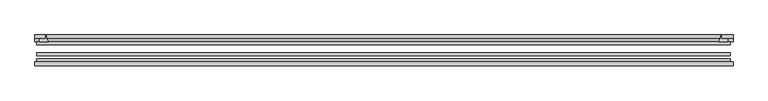
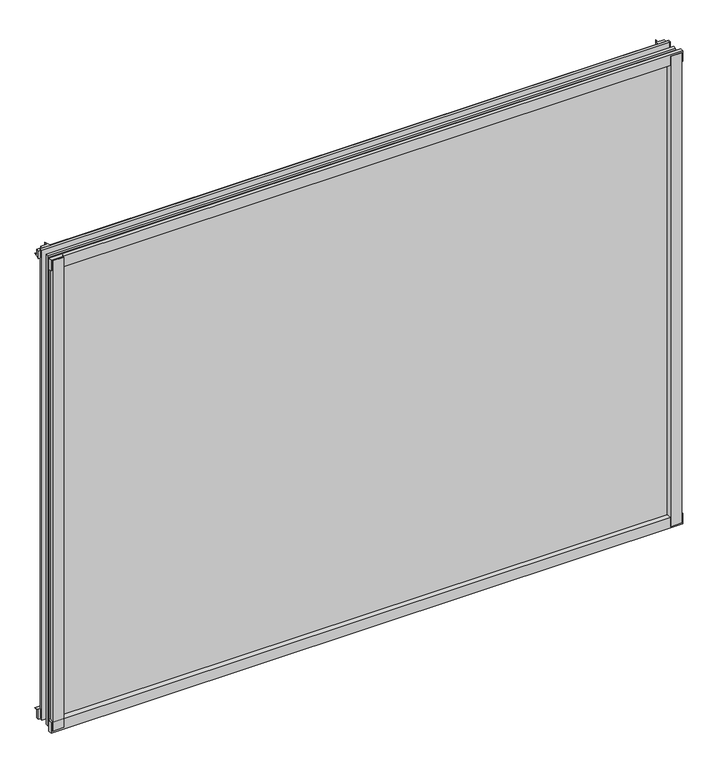
"""IFC4 building model written with IfcOpenShell, lengths in millimetres: plate geometry."""

import ifcopenshell
import ifcopenshell.guid

model = None  # the IFC model being written
_history = None  # IfcOwnerHistory: only IFC2X3 demands one
_inside = {}  # id of a spatial element -> (the spatial element, [elements in it])
_under = {}  # id of a project, library or spatial element -> (it, [spatial elements below it])
_declared = {}  # id of a project -> (the project, [libraries it declares])
_typed = {}  # id of a type object -> (the type object, [elements of that type])
_made_of = {}  # id of a material, layer set ... -> (it, [elements and type objects made of it])


def new_model(schema):
    """Start an empty IFC model of exactly this schema.

    Asked for "IFC4X3", IfcOpenShell would pick the latest addendum, in which some entities
    have other attributes; the version numbers below select the first issue.
    IFC2X3 requires an IfcOwnerHistory on every rooted entity: one is made here for all.
    """
    global model, _history
    if schema == "IFC4X3":
        model = ifcopenshell.file(schema_version=(4, 3, 0, 0))
    else:
        model = ifcopenshell.file(schema=schema)
    _inside.clear()
    _under.clear()
    _declared.clear()
    _typed.clear()
    _made_of.clear()
    _history = None
    if model.schema == "IFC2X3":
        org = make("IfcOrganization", Name="unknown")
        user = make(
            "IfcPersonAndOrganization",
            ThePerson=make("IfcPerson", FamilyName="unknown"),
            TheOrganization=org,
        )
        app = make(
            "IfcApplication",
            ApplicationDeveloper=org,
            Version="unknown",
            ApplicationFullName="unknown",
            ApplicationIdentifier="unknown",
        )
        _history = make(
            "IfcOwnerHistory",
            OwningUser=user,
            OwningApplication=app,
            ChangeAction="ADDED",
            CreationDate=0,
        )
    return model


def make(cls, **values):
    """One entity of the class cls with the attributes given. An attribute that is None is left unset."""
    return model.create_entity(
        cls, **{name: value for name, value in values.items() if value is not None}
    )


def rooted(cls, **values):
    """An entity with a GlobalId (a new one), such as an element, a storey or a relation."""
    return make(cls, GlobalId=ifcopenshell.guid.new(), OwnerHistory=_history, **values)


def si_unit(unit_type, name, prefix=None):
    """IfcSIUnit, for example si_unit("LENGTHUNIT", "METRE", prefix="MILLI")."""
    return make("IfcSIUnit", UnitType=unit_type, Prefix=prefix, Name=name)


def assignment(units):
    """IfcUnitAssignment: the units of a project."""
    return None if units is None else make("IfcUnitAssignment", Units=units)


def point(xyz):
    """IfcCartesianPoint."""
    return None if xyz is None else make("IfcCartesianPoint", Coordinates=xyz)


def direction(xyz):
    """IfcDirection."""
    return None if xyz is None else make("IfcDirection", DirectionRatios=xyz)


def frame(location, z_axis=None, x_axis=None):
    """IfcAxis2Placement3D, a coordinate frame: its origin and axes. An axis left out is left unset."""
    return make(
        "IfcAxis2Placement3D",
        Location=point(location),
        Axis=direction(z_axis),
        RefDirection=direction(x_axis),
    )


def frame_2d(location, x_axis=None):
    """IfcAxis2Placement2D, a coordinate frame in the plane: its origin and x axis."""
    return make(
        "IfcAxis2Placement2D", Location=point(location), RefDirection=direction(x_axis)
    )


def origin():
    """The frame at (0, 0, 0) with its axes left unset."""
    return frame((0.0, 0.0, 0.0))


def place(relative_to, where):
    """IfcLocalPlacement: puts the frame where relative to a parent placement (None: the world)."""
    return make(
        "IfcLocalPlacement", PlacementRelTo=relative_to, RelativePlacement=where
    )


def context(
    kind, dimensions, precision=None, world=None, true_north=None, identifier=None
):
    """IfcGeometricRepresentationContext, for example the 3D "Model" context."""
    return make(
        "IfcGeometricRepresentationContext",
        ContextIdentifier=identifier,
        ContextType=kind,
        CoordinateSpaceDimension=dimensions,
        Precision=precision,
        WorldCoordinateSystem=world,
        TrueNorth=true_north,
    )


def project(units=None, contexts=None):
    """IfcProject with its units and contexts."""
    return rooted(
        "IfcProject",
        Name="project",
        RepresentationContexts=contexts,
        UnitsInContext=assignment(units),
    )


def spatial(cls, under=None, at=None, **own):
    """A site, building, storey or space (cls), placed at a placement, below another one or the project."""
    s = rooted(cls, ObjectPlacement=at, **own)
    if under is not None:
        _under.setdefault(under.id(), (under, []))[1].append(s)
    return s


def polyline(points):
    """IfcPolyline through the points."""
    return make("IfcPolyline", Points=[point(p) for p in points])


def circle_curve(where, radius):
    """IfcCircle in the frame where."""
    return make("IfcCircle", Position=where, Radius=radius)


def trimmed(basis, trim1, trim2, sense, master):
    """IfcTrimmedCurve: the piece of a basis curve between two trims."""
    return make(
        "IfcTrimmedCurve",
        BasisCurve=basis,
        Trim1=trim1,
        Trim2=trim2,
        SenseAgreement=sense,
        MasterRepresentation=master,
    )


def segment(curve, same_sense, transition):
    """IfcCompositeCurveSegment."""
    return make(
        "IfcCompositeCurveSegment",
        Transition=transition,
        SameSense=same_sense,
        ParentCurve=curve,
    )


def composite_curve(segments, self_intersect=None):
    """IfcCompositeCurve: segments joined end to end."""
    return make("IfcCompositeCurve", Segments=segments, SelfIntersect=self_intersect)


def outline(outer, holes=None, kind="AREA"):
    """IfcArbitraryClosedProfileDef: a profile drawn as a closed curve; with holes, ...WithVoids."""
    if holes is None:
        return make("IfcArbitraryClosedProfileDef", ProfileType=kind, OuterCurve=outer)
    return make(
        "IfcArbitraryProfileDefWithVoids",
        ProfileType=kind,
        OuterCurve=outer,
        InnerCurves=holes,
    )


def extrude(swept, where, along, depth):
    """IfcExtrudedAreaSolid: the profile swept, set in the frame where, extruded along a direction by depth."""
    return make(
        "IfcExtrudedAreaSolid",
        SweptArea=swept,
        Position=where,
        ExtrudedDirection=direction(along),
        Depth=depth,
    )


def shape(context_of_items, identifier, shape_type, items):
    """IfcShapeRepresentation: the items that make up one representation, for example the "Body"."""
    return make(
        "IfcShapeRepresentation",
        ContextOfItems=context_of_items,
        RepresentationIdentifier=identifier,
        RepresentationType=shape_type,
        Items=items,
    )


def source(mapping_origin, context_of_items, identifier, shape_type, items):
    """IfcRepresentationMap: a shape defined once, which mapped items show again and again."""
    return make(
        "IfcRepresentationMap",
        MappingOrigin=mapping_origin,
        MappedRepresentation=shape(context_of_items, identifier, shape_type, items),
    )


def transform(
    local_origin,
    x_axis=None,
    y_axis=None,
    z_axis=None,
    scale=None,
    scale2=None,
    scale3=None,
    uniform=True,
):
    """IfcCartesianTransformationOperator3D, or its non-uniform kind. x_axis, y_axis, z_axis: its Axis1, 2, 3."""
    if uniform:
        return make(
            "IfcCartesianTransformationOperator3D",
            Axis1=direction(x_axis),
            Axis2=direction(y_axis),
            LocalOrigin=point(local_origin),
            Scale=scale,
            Axis3=direction(z_axis),
        )
    return make(
        "IfcCartesianTransformationOperator3DnonUniform",
        Axis1=direction(x_axis),
        Axis2=direction(y_axis),
        LocalOrigin=point(local_origin),
        Scale=scale,
        Axis3=direction(z_axis),
        Scale2=scale2,
        Scale3=scale3,
    )


def mapped(mapping_source, mapping_target):
    """IfcMappedItem: shows the shape of a source again, moved by a transform."""
    return make(
        "IfcMappedItem", MappingSource=mapping_source, MappingTarget=mapping_target
    )


def made_of(thing, what):
    """Note that an element or type object is made of a material, layer set ...; save() writes the relation."""
    if what is not None:
        _made_of.setdefault(what.id(), (what, []))[1].append(thing)
    return thing


def element(
    cls,
    number,
    at=None,
    inside=None,
    cuts=None,
    type_object=None,
    material=None,
    context=None,
    identifier="Body",
    shape_type=None,
    held_by="IfcProductDefinitionShape",
    body=None,
    shapes=None,
    **own,
):
    """One element of the class cls, such as IfcWall. Its Tag is "e" and its number.

    at: its placement. inside: the storey or other place that contains it. cuts: it is an
    opening in that element (IfcRelVoidsElement). A single representation is given by context,
    identifier, shape_type and body (its items); several are given by shapes. held_by: the class
    of the entity that holds the representations. save() writes the other relations.
    """
    e = rooted(cls, Tag="e%d" % number, ObjectPlacement=at, **own)
    if body is not None:
        shapes = [shape(context, identifier, shape_type, body)]
    if shapes is not None:
        e.Representation = make(held_by, Representations=shapes)
    if inside is not None:
        _inside.setdefault(inside.id(), (inside, []))[1].append(e)
    if cuts is not None:
        rooted(
            "IfcRelVoidsElement", RelatingBuildingElement=cuts, RelatedOpeningElement=e
        )
    if type_object is not None:
        _typed.setdefault(type_object.id(), (type_object, []))[1].append(e)
    return made_of(e, material)


def aggregate(whole, parts):
    """IfcRelAggregates: a whole, such as a stair, and the parts it consists of."""
    return rooted("IfcRelAggregates", RelatingObject=whole, RelatedObjects=parts)


def save(model, path):
    """Write the relations noted so far, then the file.

    IfcRelAggregates (storeys below a building ...), IfcRelContainedInSpatialStructure (elements
    in a storey), IfcRelDefinesByType, IfcRelAssociatesMaterial and IfcRelDeclares: one each for
    every whole, place, type object, material and project.
    """
    for whole, parts in _under.values():
        aggregate(whole, parts)
    for where, things in _inside.values():
        rooted(
            "IfcRelContainedInSpatialStructure",
            RelatedElements=things,
            RelatingStructure=where,
        )
    for kind, things in _typed.values():
        rooted("IfcRelDefinesByType", RelatedObjects=things, RelatingType=kind)
    for what, things in _made_of.values():
        rooted("IfcRelAssociatesMaterial", RelatedObjects=things, RelatingMaterial=what)
    for by, libraries in _declared.values():
        rooted("IfcRelDeclares", RelatingContext=by, RelatedDefinitions=libraries)
    model.write(path)


def plate_e8173fc2(model_context):
    return source(origin(), model_context, "Body", "SweptSolid", [
        extrude(outline(composite_curve([segment(polyline([(-549.0765856, -78.7828625), (-527.6553843, -78.7828625)]), True, "CONTINUOUS"), segment(trimmed(circle_curve(frame_2d((-520.0182187, -84.652782)), 9.6323545), [point((-527.6553843, -78.7828625))], [point((-529.6386021, -85.1328625))], True, "CARTESIAN"), True, "CONTINUOUS"), segment(polyline([(-529.6386021, -85.1328625), (-549.0765856, -85.1328625), (-549.0765856, -78.7828625)]), True, "CONTINUOUS")], self_intersect=False)), frame((0.0, 0.0, -14.2875), z_axis=(0.0, 0.0, 1.0), x_axis=(1.0, 0.0, 0.0)), (0.0, 0.0, 1.0), 869.95),
        extrude(outline(composite_curve([segment(polyline([(551.6584921, -78.7828625), (551.6584921, -85.1328625), (532.1786021, -85.1328625)]), True, "CONTINUOUS"), segment(trimmed(circle_curve(frame_2d((522.5582187, -84.652782)), 9.6323545), [point((532.1786021, -85.1328625))], [point((530.1953843, -78.7828625))], True, "CARTESIAN"), True, "CONTINUOUS"), segment(polyline([(530.1953843, -78.7828625), (551.6584921, -78.7828625)]), True, "CONTINUOUS")], self_intersect=False)), frame((0.0, 0.0, -14.2875), z_axis=(0.0, 0.0, 1.0), x_axis=(1.0, 0.0, 0.0)), (0.0, 0.0, 1.0), 869.95),
        extrude(outline(composite_curve([segment(polyline([(-47.1852625, -14.2875), (-47.1852625, 3.9588469)]), True, "CONTINUOUS"), segment(trimmed(circle_curve(frame_2d((-30.6824422, 32.267054)), 32.7673262), [point((-47.1852625, 3.9588469))], [point((-36.3503395, -0.00635))], True, "CARTESIAN"), True, "CONTINUOUS"), segment(polyline([(-36.3503395, -0.00635), (-42.2830625, -0.00635), (-42.2830625, -14.2875), (-47.1852625, -14.2875)]), True, "CONTINUOUS")], self_intersect=False)), frame((-552.2515856, 0.0, 0.0), z_axis=(1.0, 0.0, 0.0), x_axis=(0.0, 1.0, 0.0)), (0.0, 0.0, 1.0), 1105.8922337),
        extrude(outline(composite_curve([segment(polyline([(-78.7828625, -16.8821065), (-85.1328625, -16.8821065), (-85.1328625, 2.5977835)]), True, "CONTINUOUS"), segment(trimmed(circle_curve(frame_2d((-84.652782, 12.2181669)), 9.6323545), [point((-85.1328625, 2.5977835))], [point((-78.7828625, 4.5810013))], True, "CARTESIAN"), True, "CONTINUOUS"), segment(polyline([(-78.7828625, 4.5810013), (-78.7828625, -16.8821065)]), True, "CONTINUOUS")], self_intersect=False)), frame((-552.2515856, 0.0, 0.0), z_axis=(1.0, 0.0, 0.0), x_axis=(0.0, 1.0, 0.0)), (0.0, 0.0, 1.0), 1105.8922337),
        extrude(outline(composite_curve([segment(polyline([(-47.1852625, 837.4034531), (-47.1852625, 852.0752564), (-42.2830625, 852.0752564), (-42.2830625, 841.375), (-36.3140625, 841.375)]), True, "CONTINUOUS"), segment(trimmed(circle_curve(frame_2d((-30.6824422, 809.095246)), 32.7673262), [point((-36.3140625, 841.375))], [point((-47.1852625, 837.4034531))], True, "CARTESIAN"), True, "CONTINUOUS")], self_intersect=False)), frame((-552.2515856, 0.0, 0.0), z_axis=(1.0, 0.0, 0.0), x_axis=(0.0, 1.0, 0.0)), (0.0, 0.0, 1.0), 1105.8922337),
        extrude(outline(composite_curve([segment(polyline([(-78.7828625, 858.2444065), (-78.7828625, 836.7812987)]), True, "CONTINUOUS"), segment(trimmed(circle_curve(frame_2d((-84.652782, 829.1441331)), 9.6323545), [point((-78.7828625, 836.7812987))], [point((-85.1328625, 838.7645165))], True, "CARTESIAN"), True, "CONTINUOUS"), segment(polyline([(-85.1328625, 838.7645165), (-85.1328625, 858.2444065), (-78.7828625, 858.2444065)]), True, "CONTINUOUS")], self_intersect=False)), frame((-552.2515856, 0.0, 0.0), z_axis=(1.0, 0.0, 0.0), x_axis=(0.0, 1.0, 0.0)), (0.0, 0.0, 1.0), 1105.8922337),
        extrude(outline(composite_curve([segment(trimmed(circle_curve(frame_2d((502.5093316, -30.6824422)), 32.7673262), [point((530.8175387, -47.1852625))], [point((534.7890856, -36.3140625))], True, "CARTESIAN"), True, "CONTINUOUS"), segment(polyline([(534.7890856, -36.3140625), (534.7890856, -42.2830625), (545.4894509, -42.2830625), (545.4894509, -47.1852625), (530.8175387, -47.1852625)]), True, "CONTINUOUS")], self_intersect=False)), frame((0.0, 0.0, -14.2875), z_axis=(0.0, 0.0, 1.0), x_axis=(1.0, 0.0, 0.0)), (0.0, 0.0, 1.0), 869.95),
        extrude(outline(composite_curve([segment(polyline([(-530.8175387, -47.1852625), (-545.4842948, -47.1852625), (-545.4842948, -42.2830625), (-534.7890856, -42.2830625), (-534.7890856, -36.3140625)]), True, "CONTINUOUS"), segment(trimmed(circle_curve(frame_2d((-502.5093316, -30.6824422)), 32.7673262), [point((-534.7890856, -36.3140625))], [point((-530.8175387, -47.1852625))], True, "CARTESIAN"), True, "CONTINUOUS")], self_intersect=False)), frame((0.0, 0.0, -14.2875), z_axis=(0.0, 0.0, 1.0), x_axis=(1.0, 0.0, 0.0)), (0.0, 0.0, 1.0), 869.95),
        extrude(outline(polyline([(549.0765856, -64.6604625), (549.0765856, -69.4356625), (-549.0765856, -69.4356625), (-549.0765856, -64.6604625), (549.0765856, -64.6604625)])), frame((0.0, 0.0, -14.2875), z_axis=(0.0, 0.0, 1.0), x_axis=(1.0, 0.0, 0.0)), (0.0, 0.0, 1.0), 869.95),
        extrude(outline(polyline([(-549.0765856, -78.7828625), (-549.0765856, -74.0076625), (549.0765856, -74.0076625), (549.0765856, -78.7828625), (-549.0765856, -78.7828625)])), frame((0.0, 0.0, -14.2875), z_axis=(0.0, 0.0, 1.0), x_axis=(1.0, 0.0, 0.0)), (0.0, 0.0, 1.0), 869.95),
        extrude(outline(polyline([(-549.0765856, -47.1852625), (549.0765856, -47.1852625), (549.0765856, -51.9604625), (-549.0765856, -51.9604625), (-549.0765856, -47.1852625)])), frame((0.0, 0.0, -14.2875), z_axis=(0.0, 0.0, 1.0), x_axis=(1.0, 0.0, 0.0)), (0.0, 0.0, 1.0), 869.95),
    ])


if __name__ == "__main__":
    model = new_model("IFC4")
    model_context = context("Model", 3, world=origin())
    ifc_project = project(units=[si_unit("LENGTHUNIT", "METRE", prefix="MILLI")], contexts=[model_context])
    site = spatial("IfcSite", under=ifc_project)
    building = spatial("IfcBuilding", under=site)
    placement = place(None, origin())
    plate_shape = plate_e8173fc2(model_context)
    element("IfcPlate", 1, at=placement, inside=building, context=model_context, shape_type="MappedRepresentation", body=[
        mapped(plate_shape, transform((0.0, 0.0, 0.0), x_axis=(1.0, 0.0, 0.0), y_axis=(0.0, 1.0, 0.0), z_axis=(0.0, 0.0, 1.0))),
    ])
    save(model, "model.ifc")
